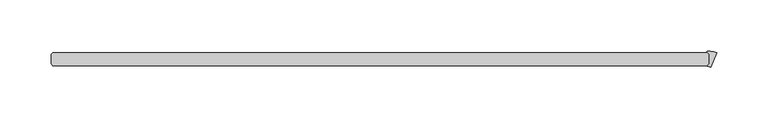
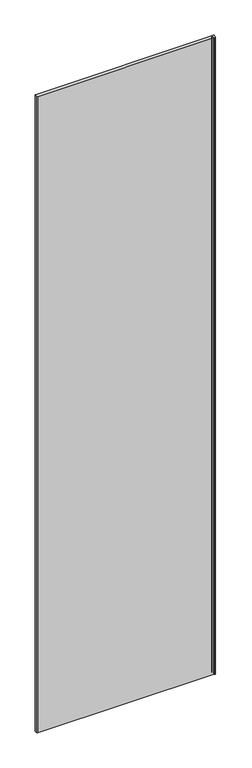
"""IFC4 building model written with IfcOpenShell, lengths in millimetres: plate geometry."""

from ifc_helpers import new_model, si_unit, point, frame_2d, origin, origin_with_axes, place, context, project, spatial, polyline, circle_curve, trimmed, segment, composite_curve, outline, extrude, source, transform, mapped, element, save


def plate_263580c4(model_context):
    return source(origin(), model_context, "Body", "SweptSolid", [
        extrude(outline(composite_curve([segment(polyline([(324.8343416, 25.4), (324.8343416, 34.925), (322.7551339, 37.0042077)]), True, "CONTINUOUS"), segment(trimmed(circle_curve(frame_2d((323.0357669, 37.2848407)), 0.396875), [point((322.7551339, 37.0042077))], [point((322.9799997, 37.6777781))], False, "CARTESIAN"), True, "CONTINUOUS"), segment(trimmed(circle_curve(frame_2d((325.462995, 20.1825115)), 17.6705863), [point((322.9799997, 37.6777781))], [point((332.2252356, 36.5080045))], False, "CARTESIAN"), True, "CONTINUOUS"), segment(polyline([(332.2252356, 36.5080045), (326.3782769, 22.3921974)]), True, "CONTINUOUS"), segment(trimmed(circle_curve(frame_2d((323.2331067, 14.799085)), 8.2187257), [point((326.3782769, 22.3921974))], [point((323.4004278, 23.0161073))], True, "CARTESIAN"), True, "CONTINUOUS"), segment(trimmed(circle_curve(frame_2d((323.4085076, 23.4129)), 0.396875), [point((323.4004278, 23.0161073))], [point((323.1278746, 23.6935331))], False, "CARTESIAN"), True, "CONTINUOUS"), segment(polyline([(323.1278746, 23.6935331), (324.8343416, 25.4)]), True, "CONTINUOUS")], self_intersect=False)), origin_with_axes(), (0.0, 0.0, 1.0), 2428.7789267),
        extrude(outline(polyline([(323.2468416, 36.5125), (324.8343416, 34.925), (324.8343416, 25.4), (323.2468416, 23.8125), (-315.515625, 23.8125), (-317.103125, 25.4), (-317.103125, 34.925), (-315.515625, 36.5125), (323.2468416, 36.5125)])), origin_with_axes(), (0.0, 0.0, 1.0), 2428.7789267),
    ])


if __name__ == "__main__":
    model = new_model("IFC4")
    model_context = context("Model", 3, world=origin())
    ifc_project = project(units=[si_unit("LENGTHUNIT", "METRE", prefix="MILLI")], contexts=[model_context])
    site = spatial("IfcSite", under=ifc_project)
    building = spatial("IfcBuilding", under=site)
    placement = place(None, origin())
    plate_shape = plate_263580c4(model_context)
    element("IfcPlate", 1, at=placement, inside=building, context=model_context, shape_type="MappedRepresentation", body=[
        mapped(plate_shape, transform((0.0, 0.0, 0.0), x_axis=(1.0, 0.0, 0.0), y_axis=(0.0, 1.0, 0.0), z_axis=(0.0, 0.0, 1.0))),
    ])
    save(model, "model.ifc")
